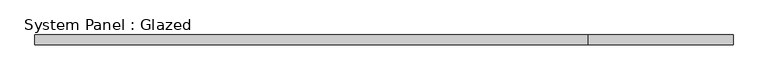
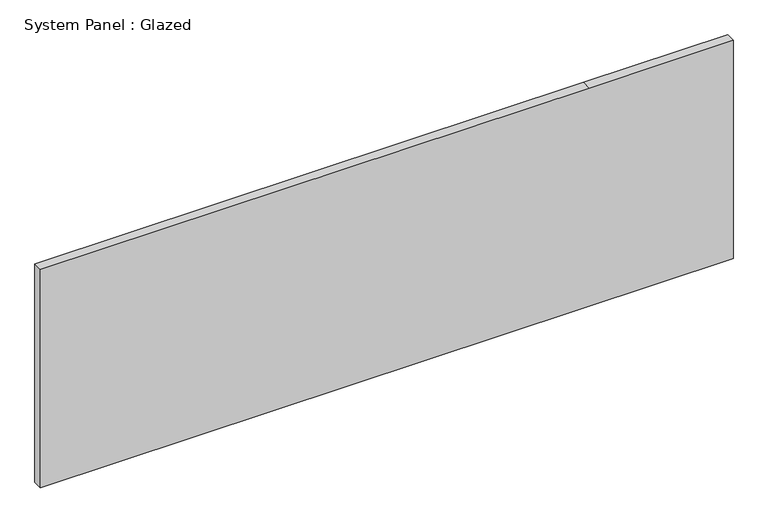
"""IFC4 building model written with IfcOpenShell, lengths in millimetres: plate geometry, System Panel : Glazed."""

from ifc_helpers import new_model, si_unit, frame, origin, place, context, project, spatial, polyline, outline, extrude, source, transform, mapped, element, save


def system_panel_glazed_5804ee13(model_context):
    return source(origin(), model_context, "Body", "SweptSolid", [
        extrude(outline(polyline([(0.0, -914.4), (0.0, 914.4), (609.6, 914.4), (609.6, 535.0442199), (609.6, -914.4), (0.0, -914.4)])), frame((0.0, 19.05, 0.0), z_axis=(0.0, 1.0, 0.0), x_axis=(0.0, 0.0, 1.0)), (0.0, 0.0, 1.0), 25.4),
    ])


if __name__ == "__main__":
    model = new_model("IFC4")
    model_context = context("Model", 3, world=origin())
    ifc_project = project(units=[si_unit("LENGTHUNIT", "METRE", prefix="MILLI")], contexts=[model_context])
    site = spatial("IfcSite", under=ifc_project)
    building = spatial("IfcBuilding", under=site)
    placement = place(None, origin())
    system_panel_glazed_shape = system_panel_glazed_5804ee13(model_context)
    element("IfcPlate", 1, ObjectType="System Panel : Glazed", at=placement, inside=building, context=model_context, shape_type="MappedRepresentation", body=[
        mapped(system_panel_glazed_shape, transform((0.0, 0.0, 0.0), x_axis=(1.0, 0.0, 0.0), y_axis=(0.0, 1.0, 0.0), z_axis=(0.0, 0.0, 1.0))),
    ])
    save(model, "model.ifc")
